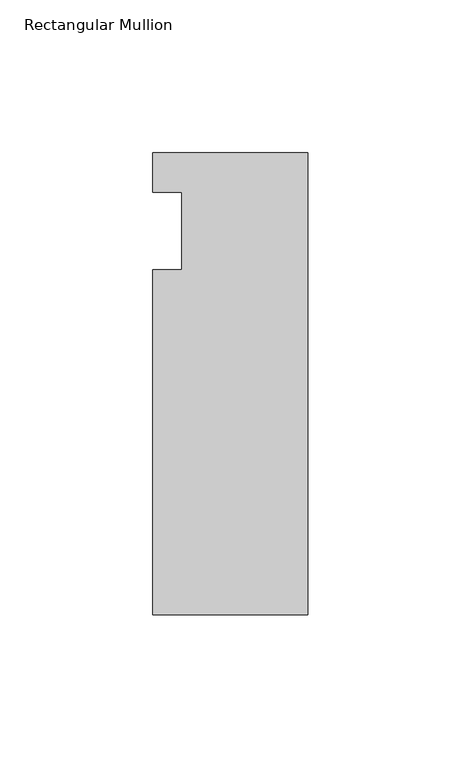
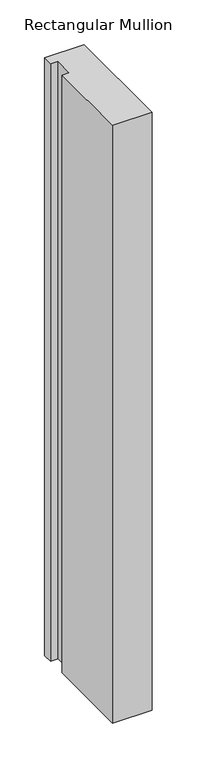
"""IFC4 building model written with IfcOpenShell, lengths in millimetres: member geometry, Rectangular Mullion."""

from ifc_helpers import new_model, si_unit, frame, origin, place, context, project, spatial, polyline, outline, extrude, source, transform, mapped, element, save


def rectangular_mullion_9d9bb9b5(model_context):
    return source(origin(), model_context, "Body", "SweptSolid", [
        extrude(outline(polyline([(-50.8, 25.5984375), (0.0, 25.5984375), (0.0, -125.6109375), (-50.8, -125.6109375), (-50.8, -12.7), (-41.275, -12.7), (-41.275, 12.7), (-50.8, 12.7), (-50.8, 25.5984375)])), frame((0.0, 0.0, -812.8), z_axis=(0.0, 0.0, 1.0), x_axis=(1.0, 0.0, 0.0)), (0.0, 0.0, 1.0), 812.8),
    ])


if __name__ == "__main__":
    model = new_model("IFC4")
    model_context = context("Model", 3, world=origin())
    ifc_project = project(units=[si_unit("LENGTHUNIT", "METRE", prefix="MILLI")], contexts=[model_context])
    site = spatial("IfcSite", under=ifc_project)
    building = spatial("IfcBuilding", under=site)
    placement = place(None, origin())
    rectangular_mullion_shape = rectangular_mullion_9d9bb9b5(model_context)
    element("IfcMember", 1, ObjectType="Rectangular Mullion", at=placement, inside=building, context=model_context, shape_type="MappedRepresentation", body=[
        mapped(rectangular_mullion_shape, transform((0.0, 0.0, 0.0), x_axis=(1.0, 0.0, 0.0), y_axis=(0.0, 1.0, 0.0), z_axis=(0.0, 0.0, 1.0))),
    ])
    save(model, "model.ifc")
